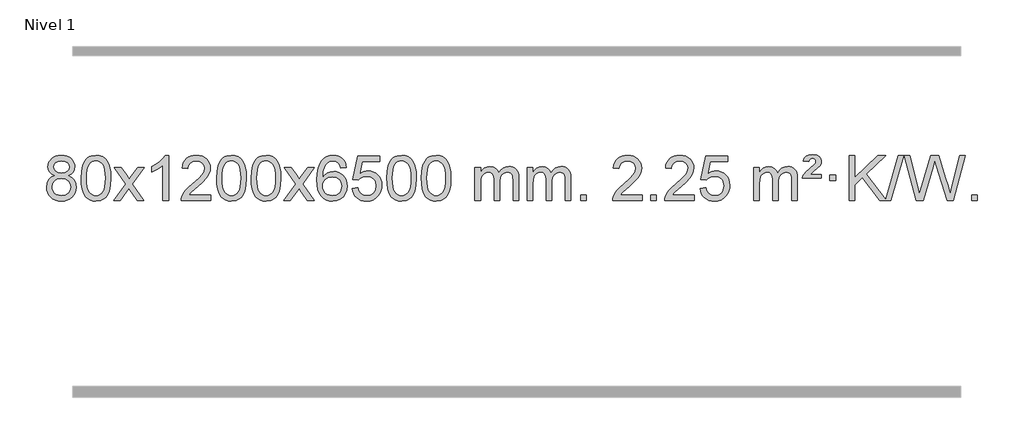
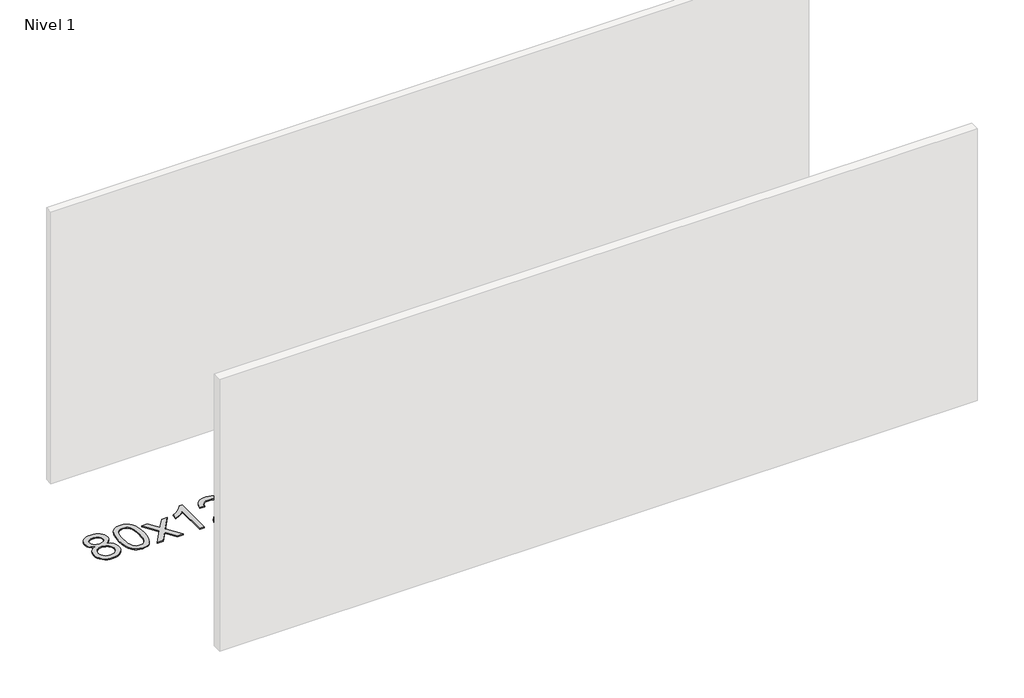
# One storey, part 6 of 10: 1 proxy.
"""IFC4 building model written with IfcOpenShell, lengths in millimetres."""

from ifc_helpers import new_model, si_unit, origin, origin_with_axes, place, context, project, spatial, polyline, outline, extrude, element, save

model = new_model("IFC4")

# Units and contexts
model_context = context("Model", 3, world=origin())
ifc_project = project(units=[si_unit("LENGTHUNIT", "METRE", prefix="MILLI")], contexts=[model_context])

# Site, building, storey
site = spatial("IfcSite", under=ifc_project)
building = spatial("IfcBuilding", under=site)
storey = spatial("IfcBuildingStorey", under=building, Name="Nivel 1", Elevation=0.0)

# Proxy
placement = place(None, origin())
element("IfcBuildingElementProxy", 1, Name="Texto de modelo 1", ObjectType="Texto de modelo 1", at=placement, inside=storey, context=model_context, shape_type="SweptSolid", body=[
    extrude(outline(polyline([(-390.6331687, -6199.2616447), (-417.5253426, -6186.0178929), (-436.3976889, -6168.0652515), (-447.5445134, -6145.7716026), (-451.2601215, -6119.5048281), (-449.2367706, -6099.0199324), (-443.1667176, -6080.2395565), (-433.0499628, -6063.1637006), (-418.886506, -6047.7923645), (-401.3569289, -6035.088173), (-381.1418132, -6026.0137504), (-358.241159, -6020.5690969), (-332.6549663, -6018.7542124), (-306.9461462, -6020.6120165), (-283.8738137, -6026.1854287), (-263.4379689, -6035.4744491), (-245.6386117, -6048.4790776), (-231.2176375, -6064.1508506), (-220.9169416, -6081.4413044), (-214.7365241, -6100.3504389), (-212.6763849, -6120.8782543), (-216.3429421, -6146.2989001), (-227.3426138, -6168.2124043), (-245.7980272, -6186.0546811), (-271.8318097, -6199.2616447), (-240.9174594, -6215.1909351), (-218.415344, -6238.6495436), (-204.6933456, -6268.5092989), (-200.1193462, -6303.6420295), (-202.3879518, -6328.6947933), (-209.1937687, -6351.6628926), (-220.5367969, -6372.5463272), (-236.4170363, -6391.3450971), (-256.0006212, -6406.88198), (-278.4536857, -6417.9797536), (-303.7762297, -6424.6384177), (-331.9682532, -6426.8579724), (-360.1602768, -6424.6292206), (-385.4828208, -6417.9429654), (-407.9358852, -6406.7992066), (-427.5194701, -6391.1979443), (-443.3997096, -6372.26735), (-454.7427377, -6351.135595), (-461.5485547, -6327.8026795), (-463.8171603, -6302.2686033), (-459.0592198, -6265.7747094), (-444.7853984, -6235.7555386), (-421.73146, -6213.2411605), (-390.6331687, -6199.2616447)]), holes=[polyline([(-401.0319665, -6120.9763561), (-396.5805943, -6142.902123), (-383.2264779, -6160.413306), (-361.3620246, -6171.8912243), (-331.379642, -6175.717197), (-302.0962352, -6171.9157497), (-280.5628758, -6160.5114079), (-267.3191239, -6143.5888361), (-262.90454, -6123.232699), (-267.4662767, -6102.1040098), (-281.151487, -6084.629615), (-302.979152, -6072.8941794), (-331.9682532, -6068.9823675), (-361.1412954, -6072.8083402), (-382.9321723, -6084.2862585), (-396.5070179, -6101.1107284), (-401.0319665, -6120.9763561)]), polyline([(-413.5890052, -6300.5027698), (-411.4920778, -6319.7184726), (-405.2012957, -6338.3210389), (-393.5884874, -6354.5446349), (-375.5254815, -6366.623427), (-353.8940201, -6374.1282197), (-331.5758458, -6376.6298173), (-297.3873457, -6371.3691048), (-283.493669, -6364.7932141), (-271.7337079, -6355.5869672), (-255.6940529, -6331.6869002), (-250.3475012, -6302.0723996), (-255.8657312, -6271.9551269), (-272.4204209, -6247.5277625), (-284.4992131, -6238.0854579), (-298.6626699, -6231.3409547), (-333.2435775, -6225.9453521), (-366.953831, -6231.2673783), (-380.6911578, -6237.919911), (-392.3499514, -6247.2334569), (-408.2792418, -6271.1948375), (-413.5890052, -6300.5027698)])]), origin_with_axes(), (0.0, 0.0, 1.0), 10.0),
    extrude(outline(polyline([(-156.1697105, -6222.9041943), (-152.4786278, -6158.5861588), (-141.4053797, -6107.2911459), (-123.0603309, -6068.2343407), (-111.2022679, -6053.0009605), (-97.5538459, -6040.6309284), (-82.0690796, -6031.0598651), (-64.7019837, -6024.2233914), (-24.3208034, -6018.7542124), (6.6303351, -6021.991574), (34.3441121, -6031.7036586), (57.5206778, -6047.5103217), (74.8601825, -6069.0314184), (87.9567815, -6096.0830078), (98.4046302, -6128.4811488), (105.2472353, -6169.6226186), (107.5281037, -6222.9041943), (103.8738092, -6286.8543477), (92.9109257, -6338.0267333), (74.6762415, -6377.1203266), (62.8457697, -6392.3996922), (49.2065447, -6404.8341036), (33.7033843, -6414.4695462), (16.2811061, -6421.3520052), (-24.3208034, -6426.8579724), (-51.9855294, -6424.4667394), (-76.5109958, -6417.2930405), (-97.8972024, -6405.3368757), (-116.1441494, -6388.5982449), (-133.6553324, -6358.3399508), (-146.1633202, -6320.6381776), (-153.6681129, -6275.4929255), (-156.1697105, -6222.9041943)]), holes=[polyline([(-105.9415554, -6222.8060924), (-104.4700274, -6266.4706195), (-100.0554435, -6301.8148822), (-92.6978036, -6328.8388804), (-82.3971077, -6347.5426142), (-69.9381708, -6360.2682656), (-56.1058078, -6369.3580165), (-40.9000186, -6374.8118671), (-24.3208034, -6376.6298173), (-7.7415881, -6374.8057357), (7.464201, -6369.3334911), (21.296564, -6360.2130833), (33.7555009, -6347.4445124), (44.0561968, -6328.7101217), (51.4138367, -6301.6922549), (55.8284206, -6266.3909118), (57.2999486, -6222.8060924), (55.8774716, -6180.2973278), (51.6100404, -6145.5753989), (44.4976552, -6118.6403055), (34.5403158, -6099.4920476), (22.2898454, -6086.1440625), (8.2980668, -6076.6097875), (-7.4350198, -6070.8892225), (-24.9094146, -6068.9823675), (-41.4027907, -6070.6623619), (-56.3510624, -6075.7023452), (-69.7542298, -6084.1023175), (-81.6122928, -6095.8622786), (-92.2563452, -6116.708925), (-99.8592397, -6144.8151094), (-104.4209765, -6180.1808319), (-105.9415554, -6222.8060924)])]), origin_with_axes(), (0.0, 0.0, 1.0), 10.0),
    extrude(outline(polyline([(132.6421812, -6420.579453), (239.9656219, -6272.2494325), (138.9207006, -6125.4890419), (199.3514497, -6125.4890419), (248.1080768, -6196.122385), (270.8677095, -6229.4770192), (290.5861845, -6202.2047007), (346.1118403, -6125.4890419), (406.5425894, -6125.4890419), (300.396371, -6272.2494325), (402.6185147, -6420.579453), (342.1877657, -6420.579453), (280.6778961, -6331.4048574), (269.3961816, -6315.1199477), (193.0729303, -6420.579453), (132.6421812, -6420.579453)])), origin_with_axes(), (0.0, 0.0, 1.0), 10.0),
    extrude(outline(polyline([(622.3666932, -6420.579453), (572.1385381, -6420.579453), (572.1385381, -6107.4382987), (551.1692644, -6124.3976587), (524.5591334, -6141.3324932), (471.682228, -6166.6918254), (471.682228, -6119.2105225), (511.1314406, -6097.7507395), (545.3076779, -6072.219729), (572.2489027, -6045.0700378), (589.9930776, -6018.7542124), (622.3666932, -6018.7542124), (622.3666932, -6420.579453)])), origin_with_axes(), (0.0, 0.0, 1.0), 10.0),
    extrude(outline(polyline([(999.0778563, -6370.3512979), (999.0778563, -6420.579453), (735.3800421, -6420.579453), (736.4836881, -6402.8965918), (740.7756447, -6385.9494945), (753.1610052, -6358.8856424), (771.2853248, -6332.6311307), (797.5030484, -6305.1503456), (834.1686206, -6274.4076736), (888.3699012, -6226.2641831), (920.8906695, -6190.7267824), (937.1510537, -6161.884834), (942.5711818, -6133.8277005), (937.4576221, -6108.6768347), (922.1169429, -6087.7688747), (898.535707, -6073.6789943), (868.7004772, -6068.9823675), (837.3691939, -6073.5686297), (813.0276686, -6087.3274163), (797.3191074, -6109.1796068), (791.8867166, -6138.0460807), (741.6585615, -6131.7675613), (745.9781093, -6105.838012), (753.8354555, -6083.1826125), (765.2306003, -6063.8013627), (780.1635437, -6047.6942627), (798.290929, -6035.0329907), (819.2693997, -6025.989225), (843.098956, -6020.5629655), (869.7795977, -6018.7542124), (896.6993627, -6020.7653006), (920.6576776, -6026.7985654), (941.6545425, -6036.8540066), (959.6899573, -6050.9316242), (974.1753109, -6067.9890861), (984.521992, -6086.9840598), (990.7300007, -6107.9165453), (992.7993369, -6130.7865427), (990.5675194, -6154.8092369), (983.8720671, -6178.4149983), (971.9894787, -6202.4254299), (954.1962528, -6227.6621347), (925.832551, -6257.7916701), (882.2385346, -6296.4805933), (824.4565359, -6344.795762), (801.795005, -6370.3512979), (999.0778563, -6370.3512979)])), origin_with_axes(), (0.0, 0.0, 1.0), 10.0),
    extrude(outline(polyline([(1049.3060113, -6222.9041943), (1052.997094, -6158.5861588), (1064.0703421, -6107.2911459), (1082.4153909, -6068.2343407), (1094.2734539, -6053.0009605), (1107.9218759, -6040.6309284), (1123.4066422, -6031.0598651), (1140.7737381, -6024.2233914), (1181.1549184, -6018.7542124), (1212.1060569, -6021.991574), (1239.8198339, -6031.7036586), (1262.9963996, -6047.5103217), (1280.3359043, -6069.0314184), (1293.4325033, -6096.0830078), (1303.880352, -6128.4811488), (1310.7229571, -6169.6226186), (1313.0038255, -6222.9041943), (1309.349531, -6286.8543477), (1298.3866475, -6338.0267333), (1280.1519633, -6377.1203266), (1268.3214915, -6392.3996922), (1254.6822665, -6404.8341036), (1239.1791061, -6414.4695462), (1221.7568279, -6421.3520052), (1181.1549184, -6426.8579724), (1153.4901924, -6424.4667394), (1128.964726, -6417.2930405), (1107.5785194, -6405.3368757), (1089.3315724, -6388.5982449), (1071.8203894, -6358.3399508), (1059.3124016, -6320.6381776), (1051.8076089, -6275.4929255), (1049.3060113, -6222.9041943)]), holes=[polyline([(1099.5341664, -6222.8060924), (1101.0056944, -6266.4706195), (1105.4202783, -6301.8148822), (1112.7779182, -6328.8388804), (1123.0786141, -6347.5426142), (1135.537551, -6360.2682656), (1149.369914, -6369.3580165), (1164.5757032, -6374.8118671), (1181.1549184, -6376.6298173), (1197.7341337, -6374.8057357), (1212.9399228, -6369.3334911), (1226.7722858, -6360.2130833), (1239.2312227, -6347.4445124), (1249.5319186, -6328.7101217), (1256.8895585, -6301.6922549), (1261.3041424, -6266.3909118), (1262.7756704, -6222.8060924), (1261.3531934, -6180.2973278), (1257.0857622, -6145.5753989), (1249.973377, -6118.6403055), (1240.0160376, -6099.4920476), (1227.7655672, -6086.1440625), (1213.7737886, -6076.6097875), (1198.040702, -6070.8892225), (1180.5663072, -6068.9823675), (1164.0729311, -6070.6623619), (1149.1246594, -6075.7023452), (1135.721492, -6084.1023175), (1123.863429, -6095.8622786), (1113.2193766, -6116.708925), (1105.6164821, -6144.8151094), (1101.0547453, -6180.1808319), (1099.5341664, -6222.8060924)])]), origin_with_axes(), (0.0, 0.0, 1.0), 10.0),
    extrude(outline(polyline([(1356.9534612, -6222.9041943), (1360.6445439, -6158.5861588), (1371.7177919, -6107.2911459), (1390.0628407, -6068.2343407), (1401.9209037, -6053.0009605), (1415.5693257, -6040.6309284), (1431.054092, -6031.0598651), (1448.4211879, -6024.2233914), (1488.8023682, -6018.7542124), (1519.7535068, -6021.991574), (1547.4672837, -6031.7036586), (1570.6438494, -6047.5103217), (1587.9833541, -6069.0314184), (1601.0799532, -6096.0830078), (1611.5278018, -6128.4811488), (1618.3704069, -6169.6226186), (1620.6512753, -6222.9041943), (1616.9969808, -6286.8543477), (1606.0340974, -6338.0267333), (1587.7994131, -6377.1203266), (1575.9689413, -6392.3996922), (1562.3297163, -6404.8341036), (1546.8265559, -6414.4695462), (1529.4042778, -6421.3520052), (1488.8023682, -6426.8579724), (1461.1376422, -6424.4667394), (1436.6121759, -6417.2930405), (1415.2259692, -6405.3368757), (1396.9790222, -6388.5982449), (1379.4678393, -6358.3399508), (1366.9598514, -6320.6381776), (1359.4550587, -6275.4929255), (1356.9534612, -6222.9041943)]), holes=[polyline([(1407.1816162, -6222.8060924), (1408.6531442, -6266.4706195), (1413.0677282, -6301.8148822), (1420.4253681, -6328.8388804), (1430.7260639, -6347.5426142), (1443.1850008, -6360.2682656), (1457.0173639, -6369.3580165), (1472.223153, -6374.8118671), (1488.8023682, -6376.6298173), (1505.3815835, -6374.8057357), (1520.5873726, -6369.3334911), (1534.4197356, -6360.2130833), (1546.8786725, -6347.4445124), (1557.1793684, -6328.7101217), (1564.5370083, -6301.6922549), (1568.9515923, -6266.3909118), (1570.4231202, -6222.8060924), (1569.0006432, -6180.2973278), (1564.733212, -6145.5753989), (1557.6208268, -6118.6403055), (1547.6634875, -6099.4920476), (1535.413017, -6086.1440625), (1521.4212385, -6076.6097875), (1505.6881518, -6070.8892225), (1488.213757, -6068.9823675), (1471.7203809, -6070.6623619), (1456.7721092, -6075.7023452), (1443.3689418, -6084.1023175), (1431.5108789, -6095.8622786), (1420.8668265, -6116.708925), (1413.2639319, -6144.8151094), (1408.7021952, -6180.1808319), (1407.1816162, -6222.8060924)])]), origin_with_axes(), (0.0, 0.0, 1.0), 10.0),
    extrude(outline(polyline([(1645.7653528, -6420.579453), (1753.0887936, -6272.2494325), (1652.0438722, -6125.4890419), (1712.4746213, -6125.4890419), (1761.2312484, -6196.122385), (1783.9908812, -6229.4770192), (1803.7093561, -6202.2047007), (1859.2350119, -6125.4890419), (1919.665761, -6125.4890419), (1813.5195426, -6272.2494325), (1915.7416864, -6420.579453), (1855.3109373, -6420.579453), (1793.8010677, -6331.4048574), (1782.5193532, -6315.1199477), (1706.1961019, -6420.579453), (1645.7653528, -6420.579453)])), origin_with_axes(), (0.0, 0.0, 1.0), 10.0),
    extrude(outline(polyline([(2204.5535781, -6125.4890419), (2154.325423, -6131.7675613), (2146.2320191, -6106.874213), (2135.2936611, -6089.8780648), (2112.5095029, -6074.2062918), (2084.9674042, -6068.9823675), (2061.6191602, -6072.0235253), (2039.6443423, -6081.1469988), (2020.771996, -6100.3627017), (2005.3577404, -6126.8134171), (1994.9466799, -6164.227016), (1991.083919, -6216.3313693), (2011.2315896, -6192.8237098), (2035.3769112, -6176.2567573), (2062.1709832, -6166.434308), (2090.2649049, -6163.1601582), (2114.3979638, -6165.398107), (2136.6670872, -6172.1119534), (2157.0722752, -6183.3016975), (2175.6135278, -6198.9673391), (2191.021652, -6218.1769106), (2202.027455, -6239.9984443), (2208.6309368, -6264.4319401), (2210.8320974, -6291.4773982), (2206.6872936, -6327.4439945), (2194.2528822, -6360.786366), (2174.5589327, -6389.0642287), (2148.6355148, -6409.8372987), (2117.6598508, -6422.602804), (2082.8091631, -6426.8579724), (2052.8666344, -6424.0375437), (2025.8242421, -6415.5762579), (2001.6819861, -6401.4741147), (1980.4398666, -6381.7311143), (1963.1218217, -6355.5133908), (1950.7517896, -6321.9870783), (1943.3297703, -6281.1521768), (1940.8557639, -6233.0086864), (1943.6026161, -6179.0342663), (1951.8431728, -6132.9693092), (1965.577434, -6094.8138149), (1984.8053996, -6064.5677835), (2005.6459146, -6044.5243462), (2029.8096303, -6030.2076052), (2057.2965468, -6021.6175606), (2088.1066638, -6018.7542124), (2111.24031, -6020.5261773), (2132.1789269, -6025.8420722), (2150.9225145, -6034.7018969), (2167.4710729, -6047.1056515), (2181.3770124, -6062.6364031), (2192.192743, -6080.8772186), (2199.9182649, -6101.8280983), (2204.5535781, -6125.4890419)]), holes=[polyline([(1991.083919, -6290.6925832), (1993.9901867, -6312.9494439), (2002.70899, -6334.2007605), (2016.2470475, -6352.472233), (2033.6110776, -6365.7895612), (2054.5680886, -6373.9197533), (2078.8850885, -6376.6298173), (2112.0312563, -6371.0134855), (2125.9463927, -6363.9930708), (2138.0895643, -6354.1644901), (2147.9396047, -6341.9262824), (2154.9753478, -6327.6769865), (2160.6039424, -6293.1451299), (2155.0489242, -6259.9989621), (2148.1051516, -6246.3781312), (2138.3838699, -6234.725469), (2126.2039101, -6225.3904634), (2111.8841035, -6218.7226022), (2076.8249493, -6213.3883133), (2043.7278325, -6218.7226022), (2016.0508437, -6234.725469), (2005.1278142, -6246.2248471), (1997.3256502, -6259.3858254), (1992.6443518, -6274.2084042), (1991.083919, -6290.6925832)])]), origin_with_axes(), (0.0, 0.0, 1.0), 10.0),
    extrude(outline(polyline([(2254.7817331, -6313.8446235), (2305.0098882, -6307.5661041), (2314.2314635, -6337.7201649), (2330.3201695, -6359.3148381), (2353.2024296, -6372.3010725), (2382.8046674, -6376.6298173), (2401.9345312, -6375.1245668), (2418.808052, -6370.6088153), (2433.42523, -6363.0825628), (2445.786065, -6352.5458094), (2455.6146457, -6339.519721), (2462.6350604, -6324.5254641), (2468.2513922, -6288.6324441), (2462.9906797, -6254.8363514), (2456.414789, -6240.9181493), (2447.2085421, -6228.9865099), (2435.341282, -6219.4154467), (2420.7823521, -6212.5789729), (2383.5894824, -6207.1097939), (2359.2234316, -6209.2925604), (2339.4926939, -6215.8408599), (2323.7350818, -6225.8717757), (2311.2884076, -6238.5023908), (2261.0602525, -6232.2238715), (2305.0098882, -6025.0327318), (2499.6439891, -6025.0327318), (2499.6439891, -6075.2608869), (2345.6240605, -6075.2608869), (2324.139752, -6185.919791), (2341.8655328, -6173.2155994), (2360.0205092, -6164.1411769), (2378.6046813, -6158.6965234), (2397.6180491, -6156.8816388), (2422.0791361, -6159.1318504), (2444.547529, -6165.882485), (2465.0232277, -6177.1335427), (2483.5062323, -6192.8850234), (2498.8070576, -6212.1743027), (2509.7362185, -6234.038756), (2516.2937151, -6258.4783832), (2518.4795473, -6285.4931844), (2516.5113786, -6311.5147042), (2510.6068726, -6335.7213394), (2500.7660292, -6358.1130902), (2486.9888485, -6378.6899565), (2466.1176766, -6399.7634634), (2441.7638885, -6414.8159684), (2413.9274842, -6423.8474714), (2382.6084637, -6426.8579724), (2356.6881115, -6424.9235262), (2333.2754882, -6419.1201877), (2312.3705938, -6409.447957), (2293.9734283, -6395.9068338), (2278.6664717, -6379.1712688), (2267.0322036, -6359.915712), (2259.0706241, -6338.1401636), (2254.7817331, -6313.8446235)])), origin_with_axes(), (0.0, 0.0, 1.0), 10.0),
    extrude(outline(polyline([(2562.429183, -6222.9041943), (2566.1202656, -6158.5861588), (2577.1935137, -6107.2911459), (2595.5385625, -6068.2343407), (2607.3966255, -6053.0009605), (2621.0450475, -6040.6309284), (2636.5298138, -6031.0598651), (2653.8969097, -6024.2233914), (2694.27809, -6018.7542124), (2725.2292286, -6021.991574), (2752.9430055, -6031.7036586), (2776.1195712, -6047.5103217), (2793.4590759, -6069.0314184), (2806.555675, -6096.0830078), (2817.0035236, -6128.4811488), (2823.8461287, -6169.6226186), (2826.1269971, -6222.9041943), (2822.4727026, -6286.8543477), (2811.5098192, -6338.0267333), (2793.2751349, -6377.1203266), (2781.4446631, -6392.3996922), (2767.8054381, -6404.8341036), (2752.3022777, -6414.4695462), (2734.8799996, -6421.3520052), (2694.27809, -6426.8579724), (2666.613364, -6424.4667394), (2642.0878976, -6417.2930405), (2620.701691, -6405.3368757), (2602.454744, -6388.5982449), (2584.9435611, -6358.3399508), (2572.4355732, -6320.6381776), (2564.9307805, -6275.4929255), (2562.429183, -6222.9041943)]), holes=[polyline([(2612.657338, -6222.8060924), (2614.128866, -6266.4706195), (2618.54345, -6301.8148822), (2625.9010899, -6328.8388804), (2636.2017857, -6347.5426142), (2648.6607226, -6360.2682656), (2662.4930856, -6369.3580165), (2677.6988748, -6374.8118671), (2694.27809, -6376.6298173), (2710.8573053, -6374.8057357), (2726.0630944, -6369.3334911), (2739.8954574, -6360.2130833), (2752.3543943, -6347.4445124), (2762.6550902, -6328.7101217), (2770.0127301, -6301.6922549), (2774.427314, -6266.3909118), (2775.898842, -6222.8060924), (2774.476365, -6180.2973278), (2770.2089338, -6145.5753989), (2763.0965486, -6118.6403055), (2753.1392093, -6099.4920476), (2740.8887388, -6086.1440625), (2726.8969603, -6076.6097875), (2711.1638736, -6070.8892225), (2693.6894788, -6068.9823675), (2677.1961027, -6070.6623619), (2662.247831, -6075.7023452), (2648.8446636, -6084.1023175), (2636.9866007, -6095.8622786), (2626.3425483, -6116.708925), (2618.7396537, -6144.8151094), (2614.1779169, -6180.1808319), (2612.657338, -6222.8060924)])]), origin_with_axes(), (0.0, 0.0, 1.0), 10.0),
    extrude(outline(polyline([(2870.0766328, -6222.9041943), (2873.7677155, -6158.5861588), (2884.8409635, -6107.2911459), (2903.1860124, -6068.2343407), (2915.0440753, -6053.0009605), (2928.6924974, -6040.6309284), (2944.1772637, -6031.0598651), (2961.5443595, -6024.2233914), (3001.9255399, -6018.7542124), (3032.8766784, -6021.991574), (3060.5904554, -6031.7036586), (3083.7670211, -6047.5103217), (3101.1065258, -6069.0314184), (3114.2031248, -6096.0830078), (3124.6509735, -6128.4811488), (3131.4935786, -6169.6226186), (3133.7744469, -6222.9041943), (3130.1201525, -6286.8543477), (3119.157269, -6338.0267333), (3100.9225848, -6377.1203266), (3089.0921129, -6392.3996922), (3075.452888, -6404.8341036), (3059.9497276, -6414.4695462), (3042.5274494, -6421.3520052), (3001.9255399, -6426.8579724), (2974.2608138, -6424.4667394), (2949.7353475, -6417.2930405), (2928.3491408, -6405.3368757), (2910.1021939, -6388.5982449), (2892.5910109, -6358.3399508), (2880.0830231, -6320.6381776), (2872.5782304, -6275.4929255), (2870.0766328, -6222.9041943)]), holes=[polyline([(2920.3047879, -6222.8060924), (2921.7763158, -6266.4706195), (2926.1908998, -6301.8148822), (2933.5485397, -6328.8388804), (2943.8492356, -6347.5426142), (2956.3081725, -6360.2682656), (2970.1405355, -6369.3580165), (2985.3463246, -6374.8118671), (3001.9255399, -6376.6298173), (3018.5047551, -6374.8057357), (3033.7105442, -6369.3334911), (3047.5429073, -6360.2130833), (3060.0018442, -6347.4445124), (3070.30254, -6328.7101217), (3077.6601799, -6301.6922549), (3082.0747639, -6266.3909118), (3083.5462919, -6222.8060924), (3082.1238148, -6180.2973278), (3077.8563837, -6145.5753989), (3070.7439984, -6118.6403055), (3060.7866591, -6099.4920476), (3048.5361887, -6086.1440625), (3034.5444101, -6076.6097875), (3018.8113234, -6070.8892225), (3001.3369287, -6068.9823675), (2984.8435526, -6070.6623619), (2969.8952808, -6075.7023452), (2956.4921135, -6084.1023175), (2944.6340505, -6095.8622786), (2933.9899981, -6116.708925), (2926.3871035, -6144.8151094), (2921.8253668, -6180.1808319), (2920.3047879, -6222.8060924)])]), origin_with_axes(), (0.0, 0.0, 1.0), 10.0),
    extrude(outline(polyline([(3347.244106, -6420.579453), (3347.244106, -6125.4890419), (3397.4722611, -6125.4890419), (3397.4722611, -6174.0494653), (3412.5799483, -6151.7435537), (3432.0041177, -6134.2691589), (3455.0825815, -6122.9751816), (3481.1531522, -6119.2105225), (3509.0876584, -6123.048758), (3531.4794092, -6134.5634645), (3548.2057772, -6152.9943524), (3559.1441352, -6177.5811324), (3577.4523959, -6152.0439906), (3598.3358304, -6133.803175), (3621.794439, -6122.8586857), (3647.8282215, -6119.2105225), (3667.9360383, -6120.7280358), (3685.585177, -6125.2805755), (3700.7756377, -6132.8681416), (3713.5074204, -6143.4907342), (3723.5720587, -6157.2709806), (3730.761086, -6174.3315082), (3735.0745024, -6194.6723168), (3736.5123078, -6218.2934066), (3736.5123078, -6420.579453), (3686.2841528, -6420.579453), (3686.2841528, -6239.875817), (3685.1191931, -6214.8230531), (3681.6243142, -6197.9372695), (3675.0760146, -6186.3735121), (3664.7507933, -6177.2868268), (3651.4702533, -6171.4007149), (3636.0559977, -6169.4386776), (3608.8449928, -6174.4663982), (3586.6617085, -6189.54956), (3578.0563355, -6201.1194488), (3571.9096405, -6215.7182326), (3566.9922845, -6254.0024856), (3566.9922845, -6420.579453), (3516.7641294, -6420.579453), (3516.7641294, -6234.2840106), (3513.8578616, -6205.8835206), (3505.1390583, -6185.6254854), (3489.7983791, -6173.4853796), (3467.0264836, -6169.4386776), (3447.6758907, -6172.1364789), (3429.8458767, -6180.2298828), (3415.1305968, -6193.5226856), (3405.1242066, -6211.8186835), (3399.3852475, -6237.2025411), (3397.4722611, -6271.7589232), (3397.4722611, -6420.579453), (3347.244106, -6420.579453)])), origin_with_axes(), (0.0, 0.0, 1.0), 10.0),
    extrude(outline(polyline([(3811.8545404, -6420.579453), (3811.8545404, -6125.4890419), (3862.0826955, -6125.4890419), (3862.0826955, -6174.0494653), (3877.1903828, -6151.7435537), (3896.6145521, -6134.2691589), (3919.693016, -6122.9751816), (3945.7635867, -6119.2105225), (3973.6980929, -6123.048758), (3996.0898436, -6134.5634645), (4012.8162117, -6152.9943524), (4023.7545697, -6177.5811324), (4042.0628303, -6152.0439906), (4062.9462649, -6133.803175), (4086.4048734, -6122.8586857), (4112.438656, -6119.2105225), (4132.5464727, -6120.7280358), (4150.1956114, -6125.2805755), (4165.3860721, -6132.8681416), (4178.1178548, -6143.4907342), (4188.1824931, -6157.2709806), (4195.3715204, -6174.3315082), (4199.6849368, -6194.6723168), (4201.1227423, -6218.2934066), (4201.1227423, -6420.579453), (4150.8945872, -6420.579453), (4150.8945872, -6239.875817), (4149.7296276, -6214.8230531), (4146.2347486, -6197.9372695), (4139.6864491, -6186.3735121), (4129.3612278, -6177.2868268), (4116.0806877, -6171.4007149), (4100.6664321, -6169.4386776), (4073.4554272, -6174.4663982), (4051.2721429, -6189.54956), (4042.6667699, -6201.1194488), (4036.5200749, -6215.7182326), (4031.6027189, -6254.0024856), (4031.6027189, -6420.579453), (3981.3745638, -6420.579453), (3981.3745638, -6234.2840106), (3978.4682961, -6205.8835206), (3969.7494928, -6185.6254854), (3954.4088136, -6173.4853796), (3931.6369181, -6169.4386776), (3912.2863251, -6172.1364789), (3894.4563111, -6180.2298828), (3879.7410313, -6193.5226856), (3869.734641, -6211.8186835), (3863.9956819, -6237.2025411), (3862.0826955, -6271.7589232), (3862.0826955, -6420.579453), (3811.8545404, -6420.579453)])), origin_with_axes(), (0.0, 0.0, 1.0), 10.0),
    extrude(outline(polyline([(4289.0220137, -6420.579453), (4289.0220137, -6370.3512979), (4339.2501687, -6370.3512979), (4339.2501687, -6420.579453), (4289.0220137, -6420.579453)])), origin_with_axes(), (0.0, 0.0, 1.0), 10.0),
    extrude(outline(polyline([(4835.2532001, -6370.3512979), (4835.2532001, -6420.579453), (4571.555386, -6420.579453), (4572.6590319, -6402.8965918), (4576.9509885, -6385.9494945), (4589.3363491, -6358.8856424), (4607.4606687, -6332.6311307), (4633.6783922, -6305.1503456), (4670.3439644, -6274.4076736), (4724.545245, -6226.2641831), (4757.0660134, -6190.7267824), (4773.3263976, -6161.884834), (4778.7465256, -6133.8277005), (4773.6329659, -6108.6768347), (4758.2922867, -6087.7688747), (4734.7110508, -6073.6789943), (4704.875821, -6068.9823675), (4673.5445377, -6073.5686297), (4649.2030124, -6087.3274163), (4633.4944512, -6109.1796068), (4628.0620604, -6138.0460807), (4577.8339053, -6131.7675613), (4582.1534531, -6105.838012), (4590.0107994, -6083.1826125), (4601.4059442, -6063.8013627), (4616.3388875, -6047.6942627), (4634.4662728, -6035.0329907), (4655.4447436, -6025.989225), (4679.2742998, -6020.5629655), (4705.9549415, -6018.7542124), (4732.8747065, -6020.7653006), (4756.8330215, -6026.7985654), (4777.8298863, -6036.8540066), (4795.8653011, -6050.9316242), (4810.3506547, -6067.9890861), (4820.6973358, -6086.9840598), (4826.9053445, -6107.9165453), (4828.9746807, -6130.7865427), (4826.7428633, -6154.8092369), (4820.047411, -6178.4149983), (4808.1648225, -6202.4254299), (4790.3715967, -6227.6621347), (4762.0078949, -6257.7916701), (4718.4138784, -6296.4805933), (4660.6318797, -6344.795762), (4637.9703488, -6370.3512979), (4835.2532001, -6370.3512979)])), origin_with_axes(), (0.0, 0.0, 1.0), 10.0),
    extrude(outline(polyline([(4910.5954327, -6420.579453), (4910.5954327, -6370.3512979), (4960.8235878, -6370.3512979), (4960.8235878, -6420.579453), (4910.5954327, -6420.579453)])), origin_with_axes(), (0.0, 0.0, 1.0), 10.0),
    extrude(outline(polyline([(5299.8636345, -6370.3512979), (5299.8636345, -6420.579453), (5036.1658204, -6420.579453), (5037.2694664, -6402.8965918), (5041.561423, -6385.9494945), (5053.9467835, -6358.8856424), (5072.0711031, -6332.6311307), (5098.2888266, -6305.1503456), (5134.9543988, -6274.4076736), (5189.1556795, -6226.2641831), (5221.6764478, -6190.7267824), (5237.936832, -6161.884834), (5243.3569601, -6133.8277005), (5238.2434003, -6108.6768347), (5222.9027211, -6087.7688747), (5199.3214853, -6073.6789943), (5169.4862554, -6068.9823675), (5138.1549722, -6073.5686297), (5113.8134468, -6087.3274163), (5098.1048856, -6109.1796068), (5092.6724949, -6138.0460807), (5042.4443398, -6131.7675613), (5046.7638875, -6105.838012), (5054.6212338, -6083.1826125), (5066.0163786, -6063.8013627), (5080.9493219, -6047.6942627), (5099.0767073, -6035.0329907), (5120.055178, -6025.989225), (5143.8847343, -6020.5629655), (5170.565376, -6018.7542124), (5197.485141, -6020.7653006), (5221.4434559, -6026.7985654), (5242.4403208, -6036.8540066), (5260.4757356, -6050.9316242), (5274.9610891, -6067.9890861), (5285.3077703, -6086.9840598), (5291.5157789, -6107.9165453), (5293.5851152, -6130.7865427), (5291.3532977, -6154.8092369), (5284.6578454, -6178.4149983), (5272.775257, -6202.4254299), (5254.9820311, -6227.6621347), (5226.6183293, -6257.7916701), (5183.0243129, -6296.4805933), (5125.2423142, -6344.795762), (5102.5807833, -6370.3512979), (5299.8636345, -6370.3512979)])), origin_with_axes(), (0.0, 0.0, 1.0), 10.0),
    extrude(outline(polyline([(5350.0917896, -6313.8446235), (5400.3199447, -6307.5661041), (5409.54152, -6337.7201649), (5425.630226, -6359.3148381), (5448.5124861, -6372.3010725), (5478.1147239, -6376.6298173), (5497.2445877, -6375.1245668), (5514.1181085, -6370.6088153), (5528.7352865, -6363.0825628), (5541.0961215, -6352.5458094), (5550.9247021, -6339.519721), (5557.9451169, -6324.5254641), (5563.5614487, -6288.6324441), (5558.3007361, -6254.8363514), (5551.7248455, -6240.9181493), (5542.5185986, -6228.9865099), (5530.6513385, -6219.4154467), (5516.0924086, -6212.5789729), (5478.8995389, -6207.1097939), (5454.533488, -6209.2925604), (5434.8027504, -6215.8408599), (5419.0451382, -6225.8717757), (5406.5984641, -6238.5023908), (5356.370309, -6232.2238715), (5400.3199447, -6025.0327318), (5594.9540456, -6025.0327318), (5594.9540456, -6075.2608869), (5440.934117, -6075.2608869), (5419.4498084, -6185.919791), (5437.1755892, -6173.2155994), (5455.3305657, -6164.1411769), (5473.9147378, -6158.6965234), (5492.9281056, -6156.8816388), (5517.3891926, -6159.1318504), (5539.8575855, -6165.882485), (5560.3332842, -6177.1335427), (5578.8162887, -6192.8850234), (5594.1171141, -6212.1743027), (5605.046275, -6234.038756), (5611.6037716, -6258.4783832), (5613.7896038, -6285.4931844), (5611.8214351, -6311.5147042), (5605.9169291, -6335.7213394), (5596.0760857, -6358.1130902), (5582.298905, -6378.6899565), (5561.4277331, -6399.7634634), (5537.073945, -6414.8159684), (5509.2375407, -6423.8474714), (5477.9185202, -6426.8579724), (5451.998168, -6424.9235262), (5428.5855447, -6419.1201877), (5407.6806503, -6409.447957), (5389.2834848, -6395.9068338), (5373.9765281, -6379.1712688), (5362.3422601, -6359.915712), (5354.3806805, -6338.1401636), (5350.0917896, -6313.8446235)])), origin_with_axes(), (0.0, 0.0, 1.0), 10.0),
    extrude(outline(polyline([(5827.2592628, -6420.579453), (5827.2592628, -6125.4890419), (5877.4874179, -6125.4890419), (5877.4874179, -6174.0494653), (5892.5951052, -6151.7435537), (5912.0192745, -6134.2691589), (5935.0977383, -6122.9751816), (5961.1683091, -6119.2105225), (5989.1028152, -6123.048758), (6011.494566, -6134.5634645), (6028.2209341, -6152.9943524), (6039.159292, -6177.5811324), (6057.4675527, -6152.0439906), (6078.3509873, -6133.803175), (6101.8095958, -6122.8586857), (6127.8433783, -6119.2105225), (6147.9511951, -6120.7280358), (6165.6003338, -6125.2805755), (6180.7907945, -6132.8681416), (6193.5225772, -6143.4907342), (6203.5872155, -6157.2709806), (6210.7762428, -6174.3315082), (6215.0896592, -6194.6723168), (6216.5274647, -6218.2934066), (6216.5274647, -6420.579453), (6166.2993096, -6420.579453), (6166.2993096, -6239.875817), (6165.1343499, -6214.8230531), (6161.639471, -6197.9372695), (6155.0911715, -6186.3735121), (6144.7659501, -6177.2868268), (6131.4854101, -6171.4007149), (6116.0711545, -6169.4386776), (6088.8601496, -6174.4663982), (6066.6768653, -6189.54956), (6058.0714923, -6201.1194488), (6051.9247973, -6215.7182326), (6047.0074413, -6254.0024856), (6047.0074413, -6420.579453), (5996.7792862, -6420.579453), (5996.7792862, -6234.2840106), (5993.8730184, -6205.8835206), (5985.1542152, -6185.6254854), (5969.813536, -6173.4853796), (5947.0416405, -6169.4386776), (5927.6910475, -6172.1364789), (5909.8610335, -6180.2298828), (5895.1457537, -6193.5226856), (5885.1393634, -6211.8186835), (5879.4004043, -6237.2025411), (5877.4874179, -6271.7589232), (5877.4874179, -6420.579453), (5827.2592628, -6420.579453)])), origin_with_axes(), (0.0, 0.0, 1.0), 10.0),
    extrude(outline(polyline([(6260.4771003, -6219.6668327), (6264.3030731, -6203.8479069), (6272.6417317, -6187.9799302), (6294.1505656, -6162.8413272), (6326.1072483, -6135.1030247), (6370.2530877, -6097.726214), (6377.3899984, -6086.1992448), (6379.7689686, -6074.3779701), (6377.8805077, -6062.2869152), (6372.215125, -6052.5012541), (6362.8463969, -6046.026531), (6349.8478997, -6043.8682899), (6337.4134883, -6045.4869707), (6328.5597949, -6050.343013), (6322.1341227, -6059.8098431), (6316.9837748, -6075.2608869), (6266.7556197, -6068.9823675), (6277.5958759, -6043.7701881), (6294.224142, -6026.2099542), (6317.9893189, -6015.9092583), (6350.2403072, -6012.475693), (6386.0229626, -6016.6082341), (6410.7691581, -6029.0058573), (6425.1901323, -6047.3386434), (6429.9971237, -6069.2766731), (6425.9013708, -6092.1834586), (6413.6141122, -6113.8149199), (6393.0862969, -6133.6314968), (6356.6169284, -6161.6886303), (6331.0123416, -6188.2742358), (6429.9971237, -6188.2742358), (6429.9971237, -6219.6668327), (6260.4771003, -6219.6668327)])), origin_with_axes(), (0.0, 0.0, 1.0), 10.0),
    extrude(outline(polyline([(6505.3393563, -6244.7809102), (6505.3393563, -6194.5527552), (6555.5675114, -6194.5527552), (6555.5675114, -6244.7809102), (6505.3393563, -6244.7809102)])), origin_with_axes(), (0.0, 0.0, 1.0), 10.0),
    extrude(outline(polyline([(6946.2091394, -6420.579453), (6792.7778219, -6217.9009991), (6725.0875348, -6282.4520265), (6725.0875348, -6420.579453), (6674.8593797, -6420.579453), (6674.8593797, -6018.7542124), (6725.0875348, -6018.7542124), (6725.0875348, -6215.4484525), (6931.1014521, -6018.7542124), (7001.3423877, -6018.7542124), (6828.388799, -6183.9577537), (7003.0424089, -6414.5349332), (7114.3557366, -6018.7542124), (7159.6787984, -6018.7542124), (7046.6654495, -6420.579453), (7007.6209071, -6420.579453), (7001.3423877, -6420.579453), (6946.2091394, -6420.579453)])), origin_with_axes(), (0.0, 0.0, 1.0), 10.0),
    extrude(outline(polyline([(7274.1636753, -6420.579453), (7164.5838917, -6018.7542124), (7216.3816766, -6018.7542124), (7279.9516854, -6282.844434), (7299.5720585, -6364.3670841), (7320.5658576, -6292.2622131), (7400.2245723, -6018.7542124), (7474.8800919, -6018.7542124), (7532.7601925, -6217.0180823), (7557.5554389, -6290.5944814), (7575.8269114, -6364.3670841), (7594.8586732, -6285.1988788), (7659.0172932, -6018.7542124), (7710.8150781, -6018.7542124), (7601.1371926, -6420.579453), (7547.4754723, -6420.579453), (7451.1394405, -6110.5775584), (7437.6994849, -6067.3146358), (7422.5917976, -6119.4067263), (7334.7906281, -6420.579453), (7274.1636753, -6420.579453)])), origin_with_axes(), (0.0, 0.0, 1.0), 10.0),
    extrude(outline(polyline([(7767.3217526, -6420.579453), (7767.3217526, -6370.3512979), (7817.5499077, -6370.3512979), (7817.5499077, -6420.579453), (7767.3217526, -6420.579453)])), origin_with_axes(), (0.0, 0.0, 1.0), 10.0),
])

save(model, "model.ifc")
